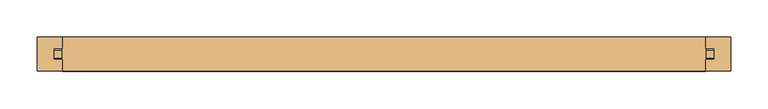
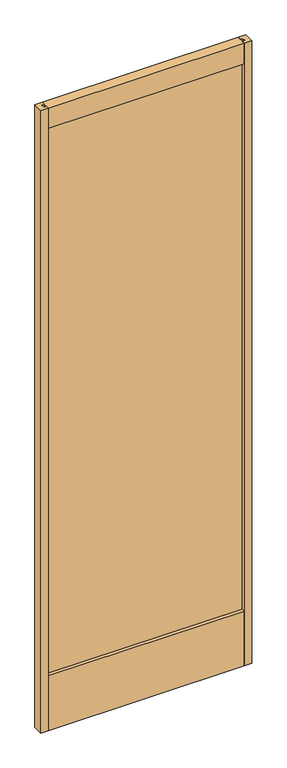
"""IFC4 building model written with IfcOpenShell, lengths in millimetres: door geometry."""

from ifc_helpers import new_model, si_unit, frame, origin, place, context, project, spatial, polyline, outline, extrude, source, transform, mapped, element, save


def door_143ab819(model_context):
    return source(origin(), model_context, "Body", "SweptSolid", [
        extrude(outline(polyline([(441.96, -5.0038), (-441.96, -5.0038), (-441.96, 5.0038), (441.96, 5.0038), (441.96, -5.0038)])), frame((0.0, 0.0, 95.25), z_axis=(0.0, 0.0, 1.0), x_axis=(1.0, 0.0, 0.0)), (0.0, 0.0, 1.0), 2727.1143997),
        extrude(outline(polyline([(-463.55, -22.733), (-463.55, 22.733), (-430.53, 22.733), (-430.53, 7.239), (-441.96, 7.239), (-441.96, -7.239), (-430.53, -7.239), (-430.53, -22.733), (-463.55, -22.733)])), frame((0.0, 0.0, 12.7), z_axis=(0.0, 0.0, 1.0), x_axis=(1.0, 0.0, 0.0)), (0.0, 0.0, 1.0), 2892.2143997),
        extrude(outline(polyline([(463.55, -22.733), (430.53, -22.733), (430.53, -7.239), (441.96, -7.239), (441.96, 7.239), (430.53, 7.239), (430.53, 22.733), (463.55, 22.733), (463.55, -22.733)])), frame((0.0, 0.0, 12.7), z_axis=(0.0, 0.0, 1.0), x_axis=(1.0, 0.0, 0.0)), (0.0, 0.0, 1.0), 2892.2143997),
        extrude(outline(polyline([(-22.733, 12.7), (-22.733, 266.7), (-7.239, 266.7), (-7.239, 255.27), (7.239, 255.27), (7.239, 266.7), (22.733, 266.7), (22.733, 12.7), (-22.733, 12.7)])), frame((-430.53, 0.0, 0.0), z_axis=(1.0, 0.0, 0.0), x_axis=(0.0, 1.0, 0.0)), (0.0, 0.0, 1.0), 861.06),
        extrude(outline(polyline([(22.733, 2904.9143997), (22.733, 2810.9343997), (7.239, 2810.9343997), (7.239, 2822.3643997), (-7.239, 2822.3643997), (-7.239, 2810.9343997), (-22.733, 2810.9343997), (-22.733, 2904.9143997), (22.733, 2904.9143997)])), frame((-430.53, 0.0, 0.0), z_axis=(1.0, 0.0, 0.0), x_axis=(0.0, 1.0, 0.0)), (0.0, 0.0, 1.0), 861.06),
    ])


if __name__ == "__main__":
    model = new_model("IFC4")
    model_context = context("Model", 3, world=origin())
    ifc_project = project(units=[si_unit("LENGTHUNIT", "METRE", prefix="MILLI")], contexts=[model_context])
    site = spatial("IfcSite", under=ifc_project)
    building = spatial("IfcBuilding", under=site)
    placement = place(None, origin())
    door_shape = door_143ab819(model_context)
    element("IfcDoor", 1, at=placement, inside=building, context=model_context, shape_type="MappedRepresentation", body=[
        mapped(door_shape, transform((0.0, 0.0, 0.0), x_axis=(1.0, 0.0, 0.0), y_axis=(0.0, 1.0, 0.0), z_axis=(0.0, 0.0, 1.0))),
    ])
    save(model, "model.ifc")
